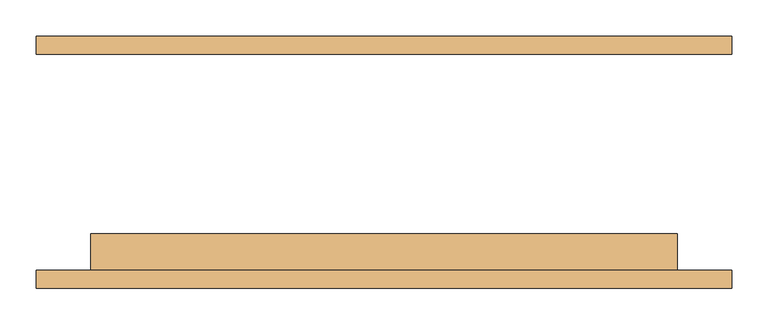
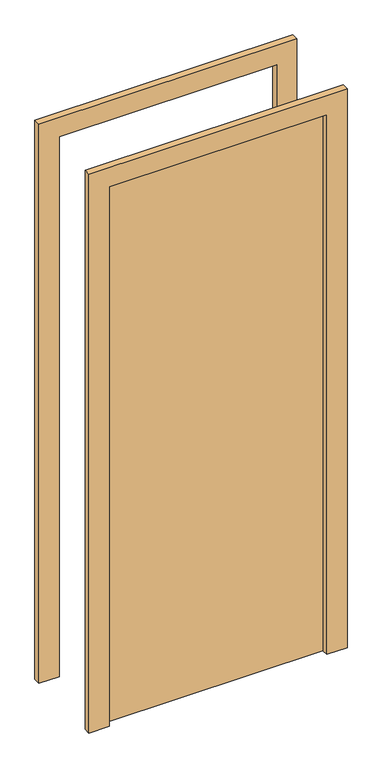
"""IFC4 building model written with IfcOpenShell, lengths in millimetres: door geometry."""

from ifc_helpers import new_model, si_unit, frame, origin, origin_with_axes, place, context, project, spatial, polyline, outline, extrude, source, transform, mapped, element, save


def door_52eaa7e5(model_context):
    return source(origin(), model_context, "Body", "SweptSolid", [
        extrude(outline(polyline([(2210.0, -482.5), (0.0, -482.5), (0.0, -406.5), (2134.0, -406.5), (2134.0, 406.5), (0.0, 406.5), (0.0, 482.5), (2210.0, 482.5), (2210.0, -482.5)])), frame((0.0, -175.0, 0.0), z_axis=(0.0, 1.0, 0.0), x_axis=(0.0, 0.0, 1.0)), (0.0, 0.0, 1.0), 25.0),
        extrude(outline(polyline([(2210.0, 482.5), (2210.0, -482.5), (0.0, -482.5), (0.0, -406.5), (2134.0, -406.5), (2134.0, 406.5), (0.0, 406.5), (0.0, 482.5), (2210.0, 482.5)])), frame((0.0, 150.0, 0.0), z_axis=(0.0, 1.0, 0.0), x_axis=(0.0, 0.0, 1.0)), (0.0, 0.0, 1.0), 25.0),
        extrude(outline(polyline([(406.5, -99.0), (406.5, -150.0), (-406.5, -150.0), (-406.5, -99.0), (406.5, -99.0)])), origin_with_axes(), (0.0, 0.0, 1.0), 2134.0),
    ])


if __name__ == "__main__":
    model = new_model("IFC4")
    model_context = context("Model", 3, world=origin())
    ifc_project = project(units=[si_unit("LENGTHUNIT", "METRE", prefix="MILLI")], contexts=[model_context])
    site = spatial("IfcSite", under=ifc_project)
    building = spatial("IfcBuilding", under=site)
    placement = place(None, origin())
    door_shape = door_52eaa7e5(model_context)
    element("IfcDoor", 1, at=placement, inside=building, context=model_context, shape_type="MappedRepresentation", body=[
        mapped(door_shape, transform((0.0, 0.0, 0.0), x_axis=(1.0, 0.0, 0.0), y_axis=(0.0, 1.0, 0.0), z_axis=(0.0, 0.0, 1.0))),
    ])
    save(model, "model.ifc")
